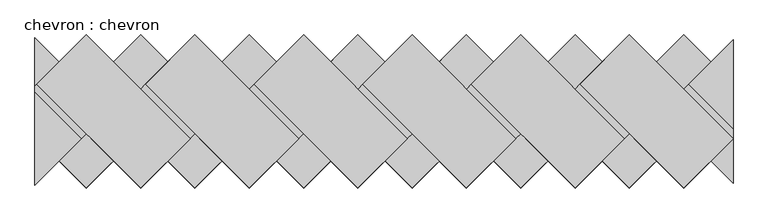
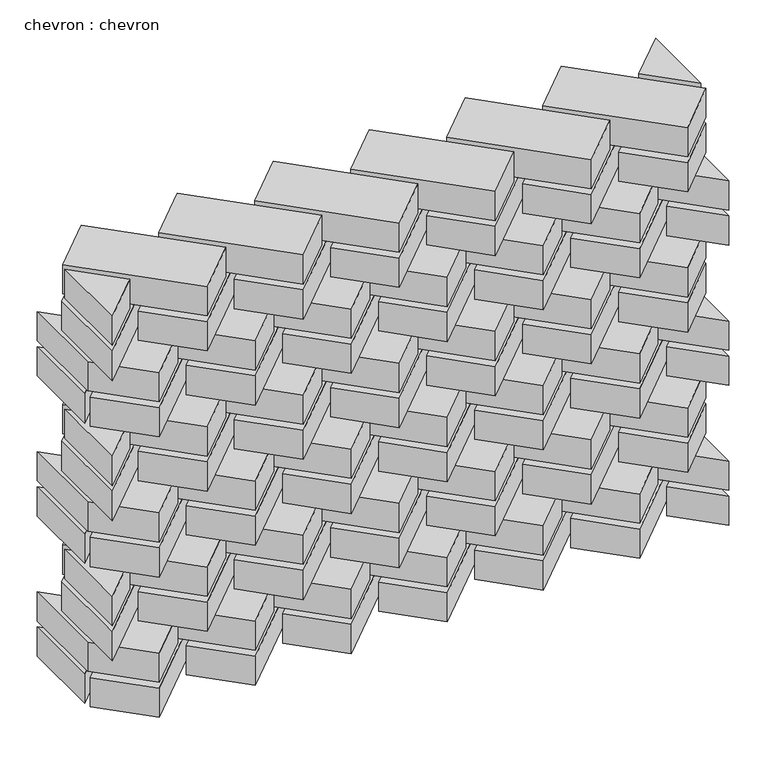
"""IFC4 building model written with IfcOpenShell, lengths in millimetres: proxy geometry, chevron : chevron."""

from ifc_helpers import new_model, si_unit, frame, origin, origin_with_axes, place, context, project, spatial, polyline, outline, extrude, source, transform, mapped, element, save


def chevron_chevron_15f6cbdd(model_context):
    return source(origin(), model_context, "Body", "SweptSolid", [
        extrude(outline(polyline([(551.5437616, -70.7107552), (622.2544156, -5.3e-05), (770.7468903, -148.4924265), (700.0362363, -219.2031287), (551.5437616, -70.7107552)])), frame((0.0, 0.0, 60.0), z_axis=(0.0, 0.0, 1.0), x_axis=(1.0, 0.0, 0.0)), (0.0, 0.0, 1.0), 50.0),
        extrude(outline(polyline([(395.9801203, -70.7107552), (466.6907744, -5.3e-05), (615.183249, -148.4924265), (544.472595, -219.2031287), (395.9801203, -70.7107552)])), frame((0.0, 0.0, 60.0), z_axis=(0.0, 0.0, 1.0), x_axis=(1.0, 0.0, 0.0)), (0.0, 0.0, 1.0), 50.0),
        extrude(outline(polyline([(240.4164791, -70.7107552), (311.1271331, -5.3e-05), (459.6196078, -148.4924265), (388.9089537, -219.2031287), (240.4164791, -70.7107552)])), frame((0.0, 0.0, 60.0), z_axis=(0.0, 0.0, 1.0), x_axis=(1.0, 0.0, 0.0)), (0.0, 0.0, 1.0), 50.0),
        extrude(outline(polyline([(84.8528378, -70.7107552), (155.5634919, -5.3e-05), (304.0559665, -148.4924265), (233.3453125, -219.2031287), (84.8528378, -70.7107552)])), frame((0.0, 0.0, 60.0), z_axis=(0.0, 0.0, 1.0), x_axis=(1.0, 0.0, 0.0)), (0.0, 0.0, 1.0), 50.0),
        extrude(outline(polyline([(148.4924746, -148.4924795), (77.7818206, -219.2031817), (4.0923389, -145.5136497), (4.0923647, -4.0924778), (148.4924746, -148.4924795)])), frame((0.0, 0.0, 60.0), z_axis=(0.0, 0.0, 1.0), x_axis=(1.0, 0.0, 0.0)), (0.0, 0.0, 1.0), 50.0),
        extrude(outline(polyline([(162.6346585, -70.7107552), (233.3453125, -5.3e-05), (381.8377871, -148.4924265), (311.1271331, -219.2031287), (162.6346585, -70.7107552)])), frame((0.0, 0.0, 180.0), z_axis=(0.0, 0.0, 1.0), x_axis=(1.0, 0.0, 0.0)), (0.0, 0.0, 1.0), 50.0),
        extrude(outline(polyline([(318.1982997, -70.7107552), (388.9089537, -5.3e-05), (537.4014284, -148.4924265), (466.6907744, -219.2031287), (318.1982997, -70.7107552)])), frame((0.0, 0.0, 180.0), z_axis=(0.0, 0.0, 1.0), x_axis=(1.0, 0.0, 0.0)), (0.0, 0.0, 1.0), 50.0),
        extrude(outline(polyline([(473.761941, -70.7107552), (544.472595, -5.3e-05), (692.9650696, -148.4924265), (622.2544156, -219.2031287), (473.761941, -70.7107552)])), frame((0.0, 0.0, 180.0), z_axis=(0.0, 0.0, 1.0), x_axis=(1.0, 0.0, 0.0)), (0.0, 0.0, 1.0), 50.0),
        extrude(outline(polyline([(629.3255822, -70.7107552), (700.0362363, -5.3e-05), (848.5287109, -148.4924265), (777.8180569, -219.2031287), (629.3255822, -70.7107552)])), frame((0.0, 0.0, 180.0), z_axis=(0.0, 0.0, 1.0), x_axis=(1.0, 0.0, 0.0)), (0.0, 0.0, 1.0), 50.0),
        extrude(outline(polyline([(784.8892235, -70.7107552), (855.5998775, -5.3e-05), (1004.0923522, -148.4924265), (933.3816981, -219.2031287), (784.8892235, -70.7107552)])), frame((0.0, 0.0, 180.0), z_axis=(0.0, 0.0, 1.0), x_axis=(1.0, 0.0, 0.0)), (0.0, 0.0, 1.0), 50.0),
        extrude(outline(polyline([(926.3105315, -70.7107552), (777.8180569, -219.2031287), (707.1074029, -148.4924265), (855.5998775, -5.3e-05), (926.3105315, -70.7107552)])), frame((0.0, 0.0, 120.0), z_axis=(0.0, 0.0, 1.0), x_axis=(1.0, 0.0, 0.0)), (0.0, 0.0, 1.0), 50.0),
        extrude(outline(polyline([(770.7468903, -70.7107552), (622.2544156, -219.2031287), (551.5437616, -148.4924265), (700.0362363, -5.3e-05), (770.7468903, -70.7107552)])), frame((0.0, 0.0, 120.0), z_axis=(0.0, 0.0, 1.0), x_axis=(1.0, 0.0, 0.0)), (0.0, 0.0, 1.0), 50.0),
        extrude(outline(polyline([(615.183249, -70.7107552), (466.6907744, -219.2031287), (395.9801203, -148.4924265), (544.472595, -5.3e-05), (615.183249, -70.7107552)])), frame((0.0, 0.0, 120.0), z_axis=(0.0, 0.0, 1.0), x_axis=(1.0, 0.0, 0.0)), (0.0, 0.0, 1.0), 50.0),
        extrude(outline(polyline([(459.6196078, -70.7107552), (311.1271331, -219.2031287), (240.4164791, -148.4924265), (388.9089537, -5.3e-05), (459.6196078, -70.7107552)])), frame((0.0, 0.0, 120.0), z_axis=(0.0, 0.0, 1.0), x_axis=(1.0, 0.0, 0.0)), (0.0, 0.0, 1.0), 50.0),
        extrude(outline(polyline([(304.0559665, -70.7107552), (155.5634919, -219.2031287), (84.8528378, -148.4924265), (233.3453125, -5.3e-05), (304.0559665, -70.7107552)])), frame((0.0, 0.0, 120.0), z_axis=(0.0, 0.0, 1.0), x_axis=(1.0, 0.0, 0.0)), (0.0, 0.0, 1.0), 50.0),
        extrude(outline(polyline([(7.0711666, -70.7108082), (77.7818206, -0.000106), (226.2742953, -148.4924795), (155.5636413, -219.2031817), (7.0711666, -70.7108082)])), frame((0.0, 0.0, 180.0), z_axis=(0.0, 0.0, 1.0), x_axis=(1.0, 0.0, 0.0)), (0.0, 0.0, 1.0), 50.0),
        extrude(outline(polyline([(4.0925265, -81.8742101), (70.7108034, -148.4925325), (4.0924811, -215.1108094), (4.0925265, -81.8742101)])), frame((0.0, 0.0, 180.0), z_axis=(0.0, 0.0, 1.0), x_axis=(1.0, 0.0, 0.0)), (0.0, 0.0, 1.0), 50.0),
        extrude(outline(polyline([(1004.0926155, -134.3505494), (940.4528647, -70.7107552), (1004.0926589, -7.0710045), (1004.0926155, -134.3505494)])), frame((0.0, 0.0, 180.0), z_axis=(0.0, 0.0, 1.0), x_axis=(1.0, 0.0, 0.0)), (0.0, 0.0, 1.0), 50.0),
        extrude(outline(polyline([(1004.0923522, -148.4924265), (933.3816981, -219.2031287), (862.6710441, -148.4924265), (1004.0923263, -7.0712502), (1004.0923522, -148.4924265)])), frame((0.0, 0.0, 120.0), z_axis=(0.0, 0.0, 1.0), x_axis=(1.0, 0.0, 0.0)), (0.0, 0.0, 1.0), 50.0),
        extrude(outline(polyline([(4.0923261, -73.6895448), (77.7818206, 0.0), (148.4924746, -70.7107022), (4.0923519, -215.1107167), (4.0923261, -73.6895448)])), frame((0.0, 0.0, 120.0), z_axis=(0.0, 0.0, 1.0), x_axis=(1.0, 0.0, 0.0)), (0.0, 0.0, 1.0), 50.0),
        extrude(outline(polyline([(4.0923261, -73.6895448), (77.7818206, 0.0), (148.4924746, -70.7107022), (4.0923519, -215.1107167), (4.0923261, -73.6895448)])), frame((0.0, 0.0, 360.0), z_axis=(0.0, 0.0, 1.0), x_axis=(1.0, 0.0, 0.0)), (0.0, 0.0, 1.0), 50.0),
        extrude(outline(polyline([(1004.0923522, -148.4924265), (933.3816981, -219.2031287), (862.6710441, -148.4924265), (1004.0923263, -7.0712502), (1004.0923522, -148.4924265)])), frame((0.0, 0.0, 360.0), z_axis=(0.0, 0.0, 1.0), x_axis=(1.0, 0.0, 0.0)), (0.0, 0.0, 1.0), 50.0),
        extrude(outline(polyline([(1004.0926155, -134.3505494), (940.4528647, -70.7107552), (1004.0926589, -7.0710045), (1004.0926155, -134.3505494)])), frame((0.0, 0.0, 420.0), z_axis=(0.0, 0.0, 1.0), x_axis=(1.0, 0.0, 0.0)), (0.0, 0.0, 1.0), 50.0),
        extrude(outline(polyline([(4.0925265, -81.8742101), (70.7108034, -148.4925325), (4.0924811, -215.1108094), (4.0925265, -81.8742101)])), frame((0.0, 0.0, 420.0), z_axis=(0.0, 0.0, 1.0), x_axis=(1.0, 0.0, 0.0)), (0.0, 0.0, 1.0), 50.0),
        extrude(outline(polyline([(7.0711666, -70.7108082), (77.7818206, -0.000106), (226.2742953, -148.4924795), (155.5636413, -219.2031817), (7.0711666, -70.7108082)])), frame((0.0, 0.0, 420.0), z_axis=(0.0, 0.0, 1.0), x_axis=(1.0, 0.0, 0.0)), (0.0, 0.0, 1.0), 50.0),
        extrude(outline(polyline([(304.0559665, -70.7107552), (155.5634919, -219.2031287), (84.8528378, -148.4924265), (233.3453125, -5.3e-05), (304.0559665, -70.7107552)])), frame((0.0, 0.0, 360.0), z_axis=(0.0, 0.0, 1.0), x_axis=(1.0, 0.0, 0.0)), (0.0, 0.0, 1.0), 50.0),
        extrude(outline(polyline([(459.6196078, -70.7107552), (311.1271331, -219.2031287), (240.4164791, -148.4924265), (388.9089537, -5.3e-05), (459.6196078, -70.7107552)])), frame((0.0, 0.0, 360.0), z_axis=(0.0, 0.0, 1.0), x_axis=(1.0, 0.0, 0.0)), (0.0, 0.0, 1.0), 50.0),
        extrude(outline(polyline([(615.183249, -70.7107552), (466.6907744, -219.2031287), (395.9801203, -148.4924265), (544.472595, -5.3e-05), (615.183249, -70.7107552)])), frame((0.0, 0.0, 360.0), z_axis=(0.0, 0.0, 1.0), x_axis=(1.0, 0.0, 0.0)), (0.0, 0.0, 1.0), 50.0),
        extrude(outline(polyline([(770.7468903, -70.7107552), (622.2544156, -219.2031287), (551.5437616, -148.4924265), (700.0362363, -5.3e-05), (770.7468903, -70.7107552)])), frame((0.0, 0.0, 360.0), z_axis=(0.0, 0.0, 1.0), x_axis=(1.0, 0.0, 0.0)), (0.0, 0.0, 1.0), 50.0),
        extrude(outline(polyline([(926.3105315, -70.7107552), (777.8180569, -219.2031287), (707.1074029, -148.4924265), (855.5998775, -5.3e-05), (926.3105315, -70.7107552)])), frame((0.0, 0.0, 360.0), z_axis=(0.0, 0.0, 1.0), x_axis=(1.0, 0.0, 0.0)), (0.0, 0.0, 1.0), 50.0),
        extrude(outline(polyline([(784.8892235, -70.7107552), (855.5998775, -5.3e-05), (1004.0923522, -148.4924265), (933.3816981, -219.2031287), (784.8892235, -70.7107552)])), frame((0.0, 0.0, 420.0), z_axis=(0.0, 0.0, 1.0), x_axis=(1.0, 0.0, 0.0)), (0.0, 0.0, 1.0), 50.0),
        extrude(outline(polyline([(629.3255822, -70.7107552), (700.0362363, -5.3e-05), (848.5287109, -148.4924265), (777.8180569, -219.2031287), (629.3255822, -70.7107552)])), frame((0.0, 0.0, 420.0), z_axis=(0.0, 0.0, 1.0), x_axis=(1.0, 0.0, 0.0)), (0.0, 0.0, 1.0), 50.0),
        extrude(outline(polyline([(473.761941, -70.7107552), (544.472595, -5.3e-05), (692.9650696, -148.4924265), (622.2544156, -219.2031287), (473.761941, -70.7107552)])), frame((0.0, 0.0, 420.0), z_axis=(0.0, 0.0, 1.0), x_axis=(1.0, 0.0, 0.0)), (0.0, 0.0, 1.0), 50.0),
        extrude(outline(polyline([(318.1982997, -70.7107552), (388.9089537, -5.3e-05), (537.4014284, -148.4924265), (466.6907744, -219.2031287), (318.1982997, -70.7107552)])), frame((0.0, 0.0, 420.0), z_axis=(0.0, 0.0, 1.0), x_axis=(1.0, 0.0, 0.0)), (0.0, 0.0, 1.0), 50.0),
        extrude(outline(polyline([(162.6346585, -70.7107552), (233.3453125, -5.3e-05), (381.8377871, -148.4924265), (311.1271331, -219.2031287), (162.6346585, -70.7107552)])), frame((0.0, 0.0, 420.0), z_axis=(0.0, 0.0, 1.0), x_axis=(1.0, 0.0, 0.0)), (0.0, 0.0, 1.0), 50.0),
        extrude(outline(polyline([(148.4924746, -148.4924795), (77.7818206, -219.2031817), (4.0923389, -145.5136497), (4.0923647, -4.0924778), (148.4924746, -148.4924795)])), frame((0.0, 0.0, 300.0), z_axis=(0.0, 0.0, 1.0), x_axis=(1.0, 0.0, 0.0)), (0.0, 0.0, 1.0), 50.0),
        extrude(outline(polyline([(84.8528378, -70.7107552), (155.5634919, -5.3e-05), (304.0559665, -148.4924265), (233.3453125, -219.2031287), (84.8528378, -70.7107552)])), frame((0.0, 0.0, 300.0), z_axis=(0.0, 0.0, 1.0), x_axis=(1.0, 0.0, 0.0)), (0.0, 0.0, 1.0), 50.0),
        extrude(outline(polyline([(240.4164791, -70.7107552), (311.1271331, -5.3e-05), (459.6196078, -148.4924265), (388.9089537, -219.2031287), (240.4164791, -70.7107552)])), frame((0.0, 0.0, 300.0), z_axis=(0.0, 0.0, 1.0), x_axis=(1.0, 0.0, 0.0)), (0.0, 0.0, 1.0), 50.0),
        extrude(outline(polyline([(395.9801203, -70.7107552), (466.6907744, -5.3e-05), (615.183249, -148.4924265), (544.472595, -219.2031287), (395.9801203, -70.7107552)])), frame((0.0, 0.0, 300.0), z_axis=(0.0, 0.0, 1.0), x_axis=(1.0, 0.0, 0.0)), (0.0, 0.0, 1.0), 50.0),
        extrude(outline(polyline([(551.5437616, -70.7107552), (622.2544156, -5.3e-05), (770.7468903, -148.4924265), (700.0362363, -219.2031287), (551.5437616, -70.7107552)])), frame((0.0, 0.0, 300.0), z_axis=(0.0, 0.0, 1.0), x_axis=(1.0, 0.0, 0.0)), (0.0, 0.0, 1.0), 50.0),
        extrude(outline(polyline([(707.1074029, -70.7107552), (777.8180569, -5.3e-05), (926.3105315, -148.4924265), (855.5998775, -219.2031287), (707.1074029, -70.7107552)])), frame((0.0, 0.0, 300.0), z_axis=(0.0, 0.0, 1.0), x_axis=(1.0, 0.0, 0.0)), (0.0, 0.0, 1.0), 50.0),
        extrude(outline(polyline([(862.6710441, -70.7107552), (933.3816981, -5.3e-05), (1004.0923522, -70.7107552), (1004.0923263, -212.1319314), (862.6710441, -70.7107552)])), frame((0.0, 0.0, 300.0), z_axis=(0.0, 0.0, 1.0), x_axis=(1.0, 0.0, 0.0)), (0.0, 0.0, 1.0), 50.0),
        extrude(outline(polyline([(1004.0923522, -70.7107552), (855.5998775, -219.2031287), (784.8892235, -148.4924265), (933.3816981, -5.3e-05), (1004.0923522, -70.7107552)])), frame((0.0, 0.0, 240.0), z_axis=(0.0, 0.0, 1.0), x_axis=(1.0, 0.0, 0.0)), (0.0, 0.0, 1.0), 50.0),
        extrude(outline(polyline([(848.5287109, -70.7107552), (700.0362363, -219.2031287), (629.3255822, -148.4924265), (777.8180569, -5.3e-05), (848.5287109, -70.7107552)])), frame((0.0, 0.0, 240.0), z_axis=(0.0, 0.0, 1.0), x_axis=(1.0, 0.0, 0.0)), (0.0, 0.0, 1.0), 50.0),
        extrude(outline(polyline([(692.9650696, -70.7107552), (544.472595, -219.2031287), (473.761941, -148.4924265), (622.2544156, -5.3e-05), (692.9650696, -70.7107552)])), frame((0.0, 0.0, 240.0), z_axis=(0.0, 0.0, 1.0), x_axis=(1.0, 0.0, 0.0)), (0.0, 0.0, 1.0), 50.0),
        extrude(outline(polyline([(537.4014284, -70.7107552), (388.9089537, -219.2031287), (318.1982997, -148.4924265), (466.6907744, -5.3e-05), (537.4014284, -70.7107552)])), frame((0.0, 0.0, 240.0), z_axis=(0.0, 0.0, 1.0), x_axis=(1.0, 0.0, 0.0)), (0.0, 0.0, 1.0), 50.0),
        extrude(outline(polyline([(381.8377871, -70.7107552), (233.3453125, -219.2031287), (162.6346585, -148.4924265), (311.1271331, -5.3e-05), (381.8377871, -70.7107552)])), frame((0.0, 0.0, 240.0), z_axis=(0.0, 0.0, 1.0), x_axis=(1.0, 0.0, 0.0)), (0.0, 0.0, 1.0), 50.0),
        extrude(outline(polyline([(1004.0923263, -212.1319314), (940.4525756, -148.4921373), (1004.0923697, -84.8523865), (1004.0923263, -212.1319314)])), frame((0.0, 0.0, 240.0), z_axis=(0.0, 0.0, 1.0), x_axis=(1.0, 0.0, 0.0)), (0.0, 0.0, 1.0), 50.0),
        extrude(outline(polyline([(4.0923771, -4.0923799), (70.710654, -70.7107022), (4.0923317, -137.3289792), (4.0923771, -4.0923799)])), frame((0.0, 0.0, 240.0), z_axis=(0.0, 0.0, 1.0), x_axis=(1.0, 0.0, 0.0)), (0.0, 0.0, 1.0), 50.0),
        extrude(outline(polyline([(226.2741459, -70.7107552), (77.7816712, -219.2031287), (7.0710172, -148.4924265), (155.5634919, -5.3e-05), (226.2741459, -70.7107552)])), frame((0.0, 0.0, 240.0), z_axis=(0.0, 0.0, 1.0), x_axis=(1.0, 0.0, 0.0)), (0.0, 0.0, 1.0), 50.0),
        extrude(outline(polyline([(226.2741459, -70.7107552), (77.7816712, -219.2031287), (7.0710172, -148.4924265), (155.5634919, -5.3e-05), (226.2741459, -70.7107552)])), frame((0.0, 0.0, 480.0), z_axis=(0.0, 0.0, 1.0), x_axis=(1.0, 0.0, 0.0)), (0.0, 0.0, 1.0), 50.0),
        extrude(outline(polyline([(4.0923771, -4.0923799), (70.710654, -70.7107022), (4.0923317, -137.3289792), (4.0923771, -4.0923799)])), frame((0.0, 0.0, 480.0), z_axis=(0.0, 0.0, 1.0), x_axis=(1.0, 0.0, 0.0)), (0.0, 0.0, 1.0), 50.0),
        extrude(outline(polyline([(1004.0923263, -212.1319314), (940.4525756, -148.4921373), (1004.0923697, -84.8523865), (1004.0923263, -212.1319314)])), frame((0.0, 0.0, 480.0), z_axis=(0.0, 0.0, 1.0), x_axis=(1.0, 0.0, 0.0)), (0.0, 0.0, 1.0), 50.0),
        extrude(outline(polyline([(381.8377871, -70.7107552), (233.3453125, -219.2031287), (162.6346585, -148.4924265), (311.1271331, -5.3e-05), (381.8377871, -70.7107552)])), frame((0.0, 0.0, 480.0), z_axis=(0.0, 0.0, 1.0), x_axis=(1.0, 0.0, 0.0)), (0.0, 0.0, 1.0), 50.0),
        extrude(outline(polyline([(537.4014284, -70.7107552), (388.9089537, -219.2031287), (318.1982997, -148.4924265), (466.6907744, -5.3e-05), (537.4014284, -70.7107552)])), frame((0.0, 0.0, 480.0), z_axis=(0.0, 0.0, 1.0), x_axis=(1.0, 0.0, 0.0)), (0.0, 0.0, 1.0), 50.0),
        extrude(outline(polyline([(692.9650696, -70.7107552), (544.472595, -219.2031287), (473.761941, -148.4924265), (622.2544156, -5.3e-05), (692.9650696, -70.7107552)])), frame((0.0, 0.0, 480.0), z_axis=(0.0, 0.0, 1.0), x_axis=(1.0, 0.0, 0.0)), (0.0, 0.0, 1.0), 50.0),
        extrude(outline(polyline([(848.5287109, -70.7107552), (700.0362363, -219.2031287), (629.3255822, -148.4924265), (777.8180569, -5.3e-05), (848.5287109, -70.7107552)])), frame((0.0, 0.0, 480.0), z_axis=(0.0, 0.0, 1.0), x_axis=(1.0, 0.0, 0.0)), (0.0, 0.0, 1.0), 50.0),
        extrude(outline(polyline([(1004.0923522, -70.7107552), (855.5998775, -219.2031287), (784.8892235, -148.4924265), (933.3816981, -5.3e-05), (1004.0923522, -70.7107552)])), frame((0.0, 0.0, 480.0), z_axis=(0.0, 0.0, 1.0), x_axis=(1.0, 0.0, 0.0)), (0.0, 0.0, 1.0), 50.0),
        extrude(outline(polyline([(862.6710441, -70.7107552), (933.3816981, -5.3e-05), (1004.0923522, -70.7107552), (1004.0923263, -212.1319314), (862.6710441, -70.7107552)])), frame((0.0, 0.0, 540.0), z_axis=(0.0, 0.0, 1.0), x_axis=(1.0, 0.0, 0.0)), (0.0, 0.0, 1.0), 50.0),
        extrude(outline(polyline([(707.1074029, -70.7107552), (777.8180569, -5.3e-05), (926.3105315, -148.4924265), (855.5998775, -219.2031287), (707.1074029, -70.7107552)])), frame((0.0, 0.0, 540.0), z_axis=(0.0, 0.0, 1.0), x_axis=(1.0, 0.0, 0.0)), (0.0, 0.0, 1.0), 50.0),
        extrude(outline(polyline([(551.5437616, -70.7107552), (622.2544156, -5.3e-05), (770.7468903, -148.4924265), (700.0362363, -219.2031287), (551.5437616, -70.7107552)])), frame((0.0, 0.0, 540.0), z_axis=(0.0, 0.0, 1.0), x_axis=(1.0, 0.0, 0.0)), (0.0, 0.0, 1.0), 50.0),
        extrude(outline(polyline([(395.9801203, -70.7107552), (466.6907744, -5.3e-05), (615.183249, -148.4924265), (544.472595, -219.2031287), (395.9801203, -70.7107552)])), frame((0.0, 0.0, 540.0), z_axis=(0.0, 0.0, 1.0), x_axis=(1.0, 0.0, 0.0)), (0.0, 0.0, 1.0), 50.0),
        extrude(outline(polyline([(240.4164791, -70.7107552), (311.1271331, -5.3e-05), (459.6196078, -148.4924265), (388.9089537, -219.2031287), (240.4164791, -70.7107552)])), frame((0.0, 0.0, 540.0), z_axis=(0.0, 0.0, 1.0), x_axis=(1.0, 0.0, 0.0)), (0.0, 0.0, 1.0), 50.0),
        extrude(outline(polyline([(84.8528378, -70.7107552), (155.5634919, -5.3e-05), (304.0559665, -148.4924265), (233.3453125, -219.2031287), (84.8528378, -70.7107552)])), frame((0.0, 0.0, 540.0), z_axis=(0.0, 0.0, 1.0), x_axis=(1.0, 0.0, 0.0)), (0.0, 0.0, 1.0), 50.0),
        extrude(outline(polyline([(148.4924746, -148.4924795), (77.7818206, -219.2031817), (4.0923389, -145.5136497), (4.0923647, -4.0924778), (148.4924746, -148.4924795)])), frame((0.0, 0.0, 540.0), z_axis=(0.0, 0.0, 1.0), x_axis=(1.0, 0.0, 0.0)), (0.0, 0.0, 1.0), 50.0),
        extrude(outline(polyline([(162.6346585, -70.7107552), (233.3453125, -5.3e-05), (381.8377871, -148.4924265), (311.1271331, -219.2031287), (162.6346585, -70.7107552)])), frame((0.0, 0.0, 660.0), z_axis=(0.0, 0.0, 1.0), x_axis=(1.0, 0.0, 0.0)), (0.0, 0.0, 1.0), 50.0),
        extrude(outline(polyline([(318.1982997, -70.7107552), (388.9089537, -5.3e-05), (537.4014284, -148.4924265), (466.6907744, -219.2031287), (318.1982997, -70.7107552)])), frame((0.0, 0.0, 660.0), z_axis=(0.0, 0.0, 1.0), x_axis=(1.0, 0.0, 0.0)), (0.0, 0.0, 1.0), 50.0),
        extrude(outline(polyline([(473.761941, -70.7107552), (544.472595, -5.3e-05), (692.9650696, -148.4924265), (622.2544156, -219.2031287), (473.761941, -70.7107552)])), frame((0.0, 0.0, 660.0), z_axis=(0.0, 0.0, 1.0), x_axis=(1.0, 0.0, 0.0)), (0.0, 0.0, 1.0), 50.0),
        extrude(outline(polyline([(629.3255822, -70.7107552), (700.0362363, -5.3e-05), (848.5287109, -148.4924265), (777.8180569, -219.2031287), (629.3255822, -70.7107552)])), frame((0.0, 0.0, 660.0), z_axis=(0.0, 0.0, 1.0), x_axis=(1.0, 0.0, 0.0)), (0.0, 0.0, 1.0), 50.0),
        extrude(outline(polyline([(784.8892235, -70.7107552), (855.5998775, -5.3e-05), (1004.0923522, -148.4924265), (933.3816981, -219.2031287), (784.8892235, -70.7107552)])), frame((0.0, 0.0, 660.0), z_axis=(0.0, 0.0, 1.0), x_axis=(1.0, 0.0, 0.0)), (0.0, 0.0, 1.0), 50.0),
        extrude(outline(polyline([(926.3105315, -70.7107552), (777.8180569, -219.2031287), (707.1074029, -148.4924265), (855.5998775, -5.3e-05), (926.3105315, -70.7107552)])), frame((0.0, 0.0, 600.0), z_axis=(0.0, 0.0, 1.0), x_axis=(1.0, 0.0, 0.0)), (0.0, 0.0, 1.0), 50.0),
        extrude(outline(polyline([(770.7468903, -70.7107552), (622.2544156, -219.2031287), (551.5437616, -148.4924265), (700.0362363, -5.3e-05), (770.7468903, -70.7107552)])), frame((0.0, 0.0, 600.0), z_axis=(0.0, 0.0, 1.0), x_axis=(1.0, 0.0, 0.0)), (0.0, 0.0, 1.0), 50.0),
        extrude(outline(polyline([(615.183249, -70.7107552), (466.6907744, -219.2031287), (395.9801203, -148.4924265), (544.472595, -5.3e-05), (615.183249, -70.7107552)])), frame((0.0, 0.0, 600.0), z_axis=(0.0, 0.0, 1.0), x_axis=(1.0, 0.0, 0.0)), (0.0, 0.0, 1.0), 50.0),
        extrude(outline(polyline([(459.6196078, -70.7107552), (311.1271331, -219.2031287), (240.4164791, -148.4924265), (388.9089537, -5.3e-05), (459.6196078, -70.7107552)])), frame((0.0, 0.0, 600.0), z_axis=(0.0, 0.0, 1.0), x_axis=(1.0, 0.0, 0.0)), (0.0, 0.0, 1.0), 50.0),
        extrude(outline(polyline([(304.0559665, -70.7107552), (155.5634919, -219.2031287), (84.8528378, -148.4924265), (233.3453125, -5.3e-05), (304.0559665, -70.7107552)])), frame((0.0, 0.0, 600.0), z_axis=(0.0, 0.0, 1.0), x_axis=(1.0, 0.0, 0.0)), (0.0, 0.0, 1.0), 50.0),
        extrude(outline(polyline([(7.0711666, -70.7108082), (77.7818206, -0.000106), (226.2742953, -148.4924795), (155.5636413, -219.2031817), (7.0711666, -70.7108082)])), frame((0.0, 0.0, 660.0), z_axis=(0.0, 0.0, 1.0), x_axis=(1.0, 0.0, 0.0)), (0.0, 0.0, 1.0), 50.0),
        extrude(outline(polyline([(4.0925265, -81.8742101), (70.7108034, -148.4925325), (4.0924811, -215.1108094), (4.0925265, -81.8742101)])), frame((0.0, 0.0, 660.0), z_axis=(0.0, 0.0, 1.0), x_axis=(1.0, 0.0, 0.0)), (0.0, 0.0, 1.0), 50.0),
        extrude(outline(polyline([(1004.0926155, -134.3505494), (940.4528647, -70.7107552), (1004.0926589, -7.0710045), (1004.0926155, -134.3505494)])), frame((0.0, 0.0, 660.0), z_axis=(0.0, 0.0, 1.0), x_axis=(1.0, 0.0, 0.0)), (0.0, 0.0, 1.0), 50.0),
        extrude(outline(polyline([(1004.0923522, -148.4924265), (933.3816981, -219.2031287), (862.6710441, -148.4924265), (1004.0923263, -7.0712502), (1004.0923522, -148.4924265)])), frame((0.0, 0.0, 600.0), z_axis=(0.0, 0.0, 1.0), x_axis=(1.0, 0.0, 0.0)), (0.0, 0.0, 1.0), 50.0),
        extrude(outline(polyline([(4.0923261, -73.6895448), (77.7818206, 0.0), (148.4924746, -70.7107022), (4.0923519, -215.1107167), (4.0923261, -73.6895448)])), frame((0.0, 0.0, 600.0), z_axis=(0.0, 0.0, 1.0), x_axis=(1.0, 0.0, 0.0)), (0.0, 0.0, 1.0), 50.0),
        extrude(outline(polyline([(381.8377871, -70.7107552), (233.3453125, -219.2031287), (162.6346585, -148.4924265), (311.1271331, -5.3e-05), (381.8377871, -70.7107552)])), origin_with_axes(), (0.0, 0.0, 1.0), 50.0),
        extrude(outline(polyline([(537.4014284, -70.7107552), (388.9089537, -219.2031287), (318.1982997, -148.4924265), (466.6907744, -5.3e-05), (537.4014284, -70.7107552)])), origin_with_axes(), (0.0, 0.0, 1.0), 50.0),
        extrude(outline(polyline([(692.9650696, -70.7107552), (544.472595, -219.2031287), (473.761941, -148.4924265), (622.2544156, -5.3e-05), (692.9650696, -70.7107552)])), origin_with_axes(), (0.0, 0.0, 1.0), 50.0),
        extrude(outline(polyline([(848.5287109, -70.7107552), (700.0362363, -219.2031287), (629.3255822, -148.4924265), (777.8180569, -5.3e-05), (848.5287109, -70.7107552)])), origin_with_axes(), (0.0, 0.0, 1.0), 50.0),
        extrude(outline(polyline([(1004.0923522, -70.7107552), (855.5998775, -219.2031287), (784.8892235, -148.4924265), (933.3816981, -5.3e-05), (1004.0923522, -70.7107552)])), origin_with_axes(), (0.0, 0.0, 1.0), 50.0),
        extrude(outline(polyline([(1004.0923263, -212.1319314), (940.4525756, -148.4921373), (1004.0923697, -84.8523865), (1004.0923263, -212.1319314)])), origin_with_axes(), (0.0, 0.0, 1.0), 50.0),
        extrude(outline(polyline([(862.6710441, -70.7107552), (933.3816981, -5.3e-05), (1004.0923522, -70.7107552), (1004.0923263, -212.1319314), (862.6710441, -70.7107552)])), frame((0.0, 0.0, 60.0), z_axis=(0.0, 0.0, 1.0), x_axis=(1.0, 0.0, 0.0)), (0.0, 0.0, 1.0), 50.0),
        extrude(outline(polyline([(707.1074029, -70.7107552), (777.8180569, -5.3e-05), (926.3105315, -148.4924265), (855.5998775, -219.2031287), (707.1074029, -70.7107552)])), frame((0.0, 0.0, 60.0), z_axis=(0.0, 0.0, 1.0), x_axis=(1.0, 0.0, 0.0)), (0.0, 0.0, 1.0), 50.0),
        extrude(outline(polyline([(226.2741459, -70.7107552), (77.7816712, -219.2031287), (7.0710172, -148.4924265), (155.5634919, -5.3e-05), (226.2741459, -70.7107552)])), origin_with_axes(), (0.0, 0.0, 1.0), 50.0),
        extrude(outline(polyline([(4.0923771, -4.0923799), (70.710654, -70.7107022), (4.0923317, -137.3289792), (4.0923771, -4.0923799)])), origin_with_axes(), (0.0, 0.0, 1.0), 50.0),
    ])


if __name__ == "__main__":
    model = new_model("IFC4")
    model_context = context("Model", 3, world=origin())
    ifc_project = project(units=[si_unit("LENGTHUNIT", "METRE", prefix="MILLI")], contexts=[model_context])
    site = spatial("IfcSite", under=ifc_project)
    building = spatial("IfcBuilding", under=site)
    placement = place(None, origin())
    chevron_chevron_shape = chevron_chevron_15f6cbdd(model_context)
    element("IfcBuildingElementProxy", 1, Name="chevron : chevron", ObjectType="chevron : chevron", at=placement, inside=building, context=model_context, shape_type="MappedRepresentation", body=[
        mapped(chevron_chevron_shape, transform((0.0, 0.0, 0.0), x_axis=(1.0, 0.0, 0.0), y_axis=(0.0, 1.0, 0.0), z_axis=(0.0, 0.0, 1.0))),
    ])
    save(model, "model.ifc")
